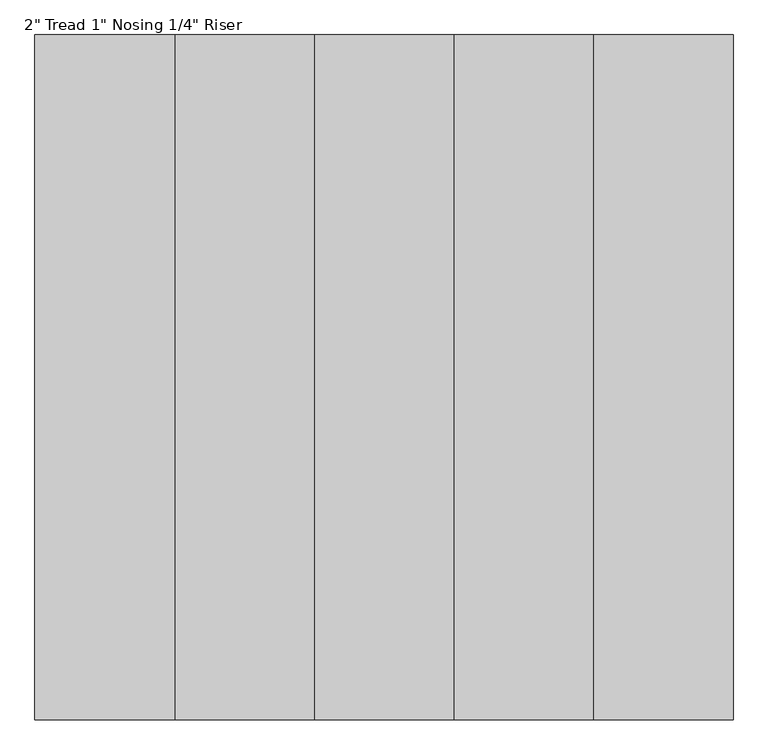
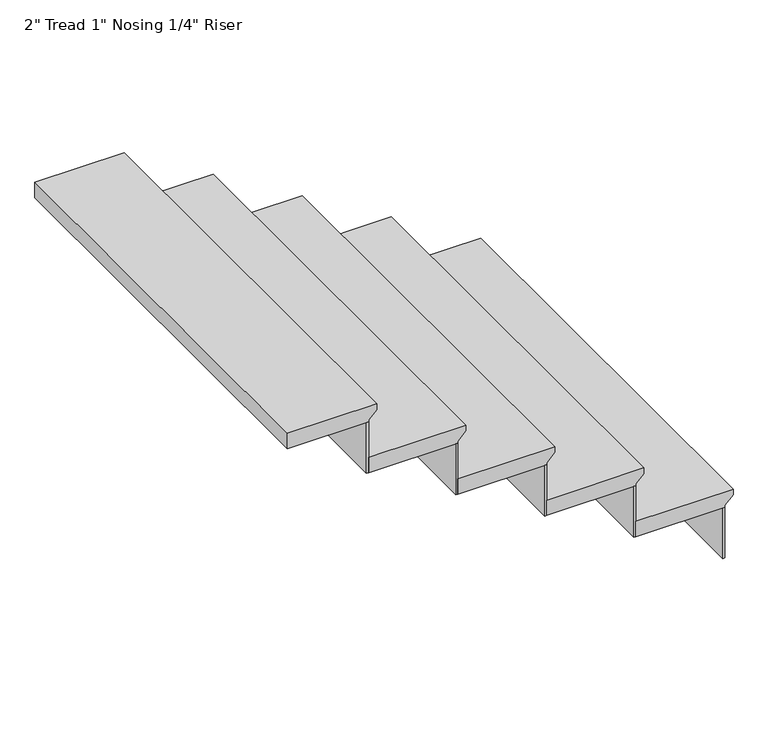
"""IFC4 building model written with IfcOpenShell, lengths in millimetres: stair flight geometry."""

from ifc_helpers import new_model, si_unit, frame, origin, place, context, project, spatial, polyline, outline, extrude, source, transform, mapped, element, save


def stair_flight_7434debd(model_context):
    return source(origin(), model_context, "Body", "SweptSolid", [
        extrude(outline(polyline([(2526.6315789, -319703.5918555), (2526.6315789, -320008.3918555), (2475.8315789, -320008.3918555), (2475.8315789, -319728.9918555), (2482.1815789, -319728.9918555), (2507.5815789, -319703.5918555), (2526.6315789, -319703.5918555)])), frame((0.0, 136743.1350981, 0.0), z_axis=(0.0, 1.0, 0.0), x_axis=(0.0, 0.0, 1.0)), (0.0, 0.0, 1.0), 1371.6),
        extrude(outline(polyline([(-319735.3418555, 138114.7350981), (-319728.9918555, 138114.7350981), (-319728.9918555, 136743.1350981), (-319735.3418555, 136743.1350981), (-319735.3418555, 138114.7350981)])), frame((0.0, 0.0, 2307.3894737), z_axis=(0.0, 0.0, 1.0), x_axis=(1.0, 0.0, 0.0)), (0.0, 0.0, 1.0), 168.4421053),
        extrude(outline(polyline([(-320014.7418555, 138114.7350981), (-320008.3918555, 138114.7350981), (-320008.3918555, 136743.1350981), (-320014.7418555, 136743.1350981), (-320014.7418555, 138114.7350981)])), frame((0.0, 0.0, 2475.8315789), z_axis=(0.0, 0.0, 1.0), x_axis=(1.0, 0.0, 0.0)), (0.0, 0.0, 1.0), 168.4421053),
        extrude(outline(polyline([(2695.0736842, -319982.9918555), (2695.0736842, -320287.7918555), (2644.2736842, -320287.7918555), (2644.2736842, -320008.3918555), (2650.6236842, -320008.3918555), (2676.0236842, -319982.9918555), (2695.0736842, -319982.9918555)])), frame((0.0, 136743.1350981, 0.0), z_axis=(0.0, 1.0, 0.0), x_axis=(0.0, 0.0, 1.0)), (0.0, 0.0, 1.0), 1371.6),
        extrude(outline(polyline([(-320294.1418555, 138114.7350981), (-320287.7918555, 138114.7350981), (-320287.7918555, 136743.1350981), (-320294.1418555, 136743.1350981), (-320294.1418555, 138114.7350981)])), frame((0.0, 0.0, 2644.2736842), z_axis=(0.0, 0.0, 1.0), x_axis=(1.0, 0.0, 0.0)), (0.0, 0.0, 1.0), 168.4421053),
        extrude(outline(polyline([(2863.5157895, -320262.3918555), (2863.5157895, -320567.1918555), (2812.7157895, -320567.1918555), (2812.7157895, -320287.7918555), (2819.0657895, -320287.7918555), (2844.4657895, -320262.3918555), (2863.5157895, -320262.3918555)])), frame((0.0, 136743.1350981, 0.0), z_axis=(0.0, 1.0, 0.0), x_axis=(0.0, 0.0, 1.0)), (0.0, 0.0, 1.0), 1371.6),
        extrude(outline(polyline([(-320573.5418555, 138114.7350981), (-320567.1918555, 138114.7350981), (-320567.1918555, 136743.1350981), (-320573.5418555, 136743.1350981), (-320573.5418555, 138114.7350981)])), frame((0.0, 0.0, 2812.7157895), z_axis=(0.0, 0.0, 1.0), x_axis=(1.0, 0.0, 0.0)), (0.0, 0.0, 1.0), 168.4421053),
        extrude(outline(polyline([(3031.9578947, -320541.7918555), (3031.9578947, -320846.5918555), (2981.1578947, -320846.5918555), (2981.1578947, -320567.1918555), (2987.5078947, -320567.1918555), (3012.9078947, -320541.7918555), (3031.9578947, -320541.7918555)])), frame((0.0, 136743.1350981, 0.0), z_axis=(0.0, 1.0, 0.0), x_axis=(0.0, 0.0, 1.0)), (0.0, 0.0, 1.0), 1371.6),
        extrude(outline(polyline([(-320852.9418555, 138114.7350981), (-320846.5918555, 138114.7350981), (-320846.5918555, 136743.1350981), (-320852.9418555, 136743.1350981), (-320852.9418555, 138114.7350981)])), frame((0.0, 0.0, 2981.1578947), z_axis=(0.0, 0.0, 1.0), x_axis=(1.0, 0.0, 0.0)), (0.0, 0.0, 1.0), 168.4421053),
        extrude(outline(polyline([(3200.4, -320821.1918555), (3200.4, -321100.5918555), (3149.6, -321100.5918555), (3149.6, -320846.5918555), (3155.95, -320846.5918555), (3181.35, -320821.1918555), (3200.4, -320821.1918555)])), frame((0.0, 136743.1350981, 0.0), z_axis=(0.0, 1.0, 0.0), x_axis=(0.0, 0.0, 1.0)), (0.0, 0.0, 1.0), 1371.6),
    ])


if __name__ == "__main__":
    model = new_model("IFC4")
    model_context = context("Model", 3, world=origin())
    ifc_project = project(units=[si_unit("LENGTHUNIT", "METRE", prefix="MILLI")], contexts=[model_context])
    site = spatial("IfcSite", under=ifc_project)
    building = spatial("IfcBuilding", under=site)
    placement = place(None, origin())
    stair_flight_shape = stair_flight_7434debd(model_context)
    element("IfcStairFlight", 1, ObjectType="2\" Tread 1\" Nosing 1/4\" Riser", at=placement, inside=building, context=model_context, shape_type="MappedRepresentation", body=[
        mapped(stair_flight_shape, transform((0.0, 0.0, 0.0), x_axis=(1.0, 0.0, 0.0), y_axis=(0.0, 1.0, 0.0), z_axis=(0.0, 0.0, 1.0))),
    ])
    save(model, "model.ifc")
